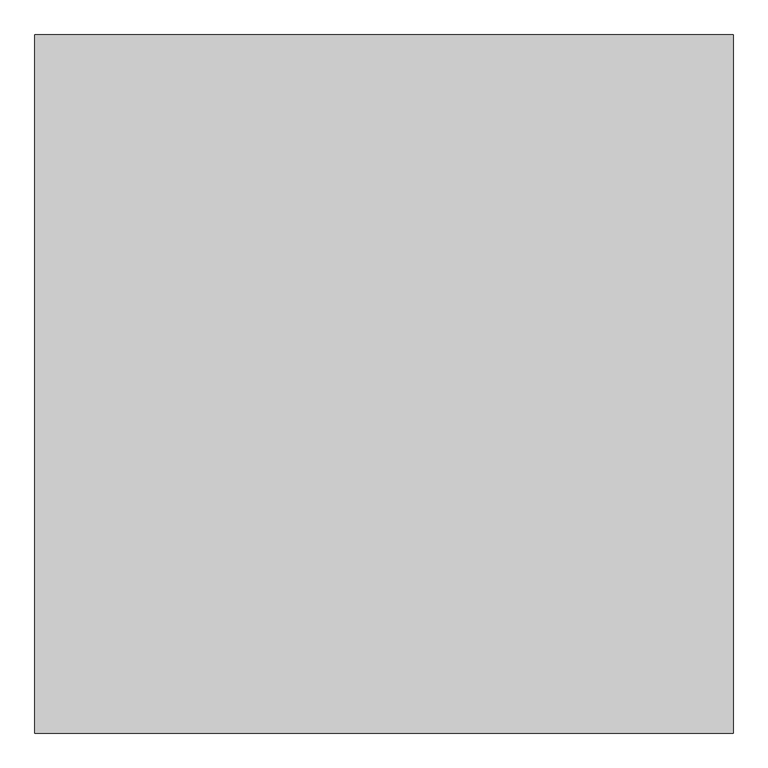
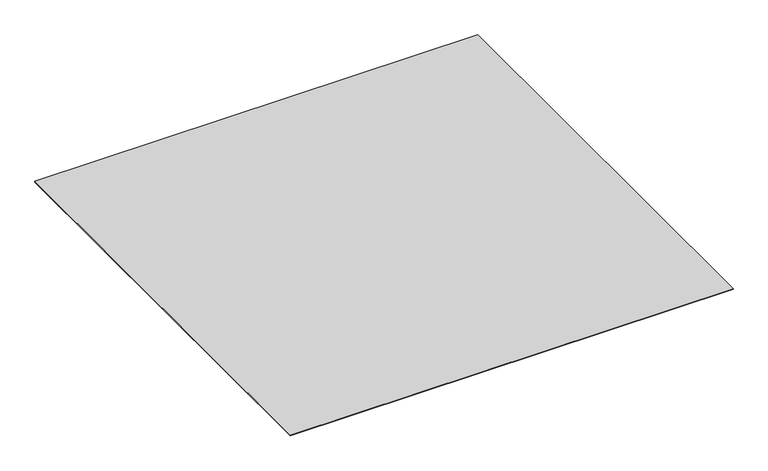
"""IFC4 building model written with IfcOpenShell, lengths in millimetres: proxy geometry."""

import ifcopenshell
import ifcopenshell.guid

model = None  # the IFC model being written
_history = None  # IfcOwnerHistory: only IFC2X3 demands one
_inside = {}  # id of a spatial element -> (the spatial element, [elements in it])
_under = {}  # id of a project, library or spatial element -> (it, [spatial elements below it])
_declared = {}  # id of a project -> (the project, [libraries it declares])
_typed = {}  # id of a type object -> (the type object, [elements of that type])
_made_of = {}  # id of a material, layer set ... -> (it, [elements and type objects made of it])


def new_model(schema):
    """Start an empty IFC model of exactly this schema.

    Asked for "IFC4X3", IfcOpenShell would pick the latest addendum, in which some entities
    have other attributes; the version numbers below select the first issue.
    IFC2X3 requires an IfcOwnerHistory on every rooted entity: one is made here for all.
    """
    global model, _history
    if schema == "IFC4X3":
        model = ifcopenshell.file(schema_version=(4, 3, 0, 0))
    else:
        model = ifcopenshell.file(schema=schema)
    _inside.clear()
    _under.clear()
    _declared.clear()
    _typed.clear()
    _made_of.clear()
    _history = None
    if model.schema == "IFC2X3":
        org = make("IfcOrganization", Name="unknown")
        user = make(
            "IfcPersonAndOrganization",
            ThePerson=make("IfcPerson", FamilyName="unknown"),
            TheOrganization=org,
        )
        app = make(
            "IfcApplication",
            ApplicationDeveloper=org,
            Version="unknown",
            ApplicationFullName="unknown",
            ApplicationIdentifier="unknown",
        )
        _history = make(
            "IfcOwnerHistory",
            OwningUser=user,
            OwningApplication=app,
            ChangeAction="ADDED",
            CreationDate=0,
        )
    return model


def make(cls, **values):
    """One entity of the class cls with the attributes given. An attribute that is None is left unset."""
    return model.create_entity(
        cls, **{name: value for name, value in values.items() if value is not None}
    )


def rooted(cls, **values):
    """An entity with a GlobalId (a new one), such as an element, a storey or a relation."""
    return make(cls, GlobalId=ifcopenshell.guid.new(), OwnerHistory=_history, **values)


def si_unit(unit_type, name, prefix=None):
    """IfcSIUnit, for example si_unit("LENGTHUNIT", "METRE", prefix="MILLI")."""
    return make("IfcSIUnit", UnitType=unit_type, Prefix=prefix, Name=name)


def assignment(units):
    """IfcUnitAssignment: the units of a project."""
    return None if units is None else make("IfcUnitAssignment", Units=units)


def point(xyz):
    """IfcCartesianPoint."""
    return None if xyz is None else make("IfcCartesianPoint", Coordinates=xyz)


def direction(xyz):
    """IfcDirection."""
    return None if xyz is None else make("IfcDirection", DirectionRatios=xyz)


def frame(location, z_axis=None, x_axis=None):
    """IfcAxis2Placement3D, a coordinate frame: its origin and axes. An axis left out is left unset."""
    return make(
        "IfcAxis2Placement3D",
        Location=point(location),
        Axis=direction(z_axis),
        RefDirection=direction(x_axis),
    )


def origin():
    """The frame at (0, 0, 0) with its axes left unset."""
    return frame((0.0, 0.0, 0.0))


def origin_with_axes():
    """The frame at (0, 0, 0) with the z axis (0, 0, 1) and the x axis (1, 0, 0) written out."""
    return frame((0.0, 0.0, 0.0), z_axis=(0.0, 0.0, 1.0), x_axis=(1.0, 0.0, 0.0))


def place(relative_to, where):
    """IfcLocalPlacement: puts the frame where relative to a parent placement (None: the world)."""
    return make(
        "IfcLocalPlacement", PlacementRelTo=relative_to, RelativePlacement=where
    )


def context(
    kind, dimensions, precision=None, world=None, true_north=None, identifier=None
):
    """IfcGeometricRepresentationContext, for example the 3D "Model" context."""
    return make(
        "IfcGeometricRepresentationContext",
        ContextIdentifier=identifier,
        ContextType=kind,
        CoordinateSpaceDimension=dimensions,
        Precision=precision,
        WorldCoordinateSystem=world,
        TrueNorth=true_north,
    )


def project(units=None, contexts=None):
    """IfcProject with its units and contexts."""
    return rooted(
        "IfcProject",
        Name="project",
        RepresentationContexts=contexts,
        UnitsInContext=assignment(units),
    )


def spatial(cls, under=None, at=None, **own):
    """A site, building, storey or space (cls), placed at a placement, below another one or the project."""
    s = rooted(cls, ObjectPlacement=at, **own)
    if under is not None:
        _under.setdefault(under.id(), (under, []))[1].append(s)
    return s


def polyline(points):
    """IfcPolyline through the points."""
    return make("IfcPolyline", Points=[point(p) for p in points])


def outline(outer, holes=None, kind="AREA"):
    """IfcArbitraryClosedProfileDef: a profile drawn as a closed curve; with holes, ...WithVoids."""
    if holes is None:
        return make("IfcArbitraryClosedProfileDef", ProfileType=kind, OuterCurve=outer)
    return make(
        "IfcArbitraryProfileDefWithVoids",
        ProfileType=kind,
        OuterCurve=outer,
        InnerCurves=holes,
    )


def extrude(swept, where, along, depth):
    """IfcExtrudedAreaSolid: the profile swept, set in the frame where, extruded along a direction by depth."""
    return make(
        "IfcExtrudedAreaSolid",
        SweptArea=swept,
        Position=where,
        ExtrudedDirection=direction(along),
        Depth=depth,
    )


def shape(context_of_items, identifier, shape_type, items):
    """IfcShapeRepresentation: the items that make up one representation, for example the "Body"."""
    return make(
        "IfcShapeRepresentation",
        ContextOfItems=context_of_items,
        RepresentationIdentifier=identifier,
        RepresentationType=shape_type,
        Items=items,
    )


def source(mapping_origin, context_of_items, identifier, shape_type, items):
    """IfcRepresentationMap: a shape defined once, which mapped items show again and again."""
    return make(
        "IfcRepresentationMap",
        MappingOrigin=mapping_origin,
        MappedRepresentation=shape(context_of_items, identifier, shape_type, items),
    )


def transform(
    local_origin,
    x_axis=None,
    y_axis=None,
    z_axis=None,
    scale=None,
    scale2=None,
    scale3=None,
    uniform=True,
):
    """IfcCartesianTransformationOperator3D, or its non-uniform kind. x_axis, y_axis, z_axis: its Axis1, 2, 3."""
    if uniform:
        return make(
            "IfcCartesianTransformationOperator3D",
            Axis1=direction(x_axis),
            Axis2=direction(y_axis),
            LocalOrigin=point(local_origin),
            Scale=scale,
            Axis3=direction(z_axis),
        )
    return make(
        "IfcCartesianTransformationOperator3DnonUniform",
        Axis1=direction(x_axis),
        Axis2=direction(y_axis),
        LocalOrigin=point(local_origin),
        Scale=scale,
        Axis3=direction(z_axis),
        Scale2=scale2,
        Scale3=scale3,
    )


def mapped(mapping_source, mapping_target):
    """IfcMappedItem: shows the shape of a source again, moved by a transform."""
    return make(
        "IfcMappedItem", MappingSource=mapping_source, MappingTarget=mapping_target
    )


def made_of(thing, what):
    """Note that an element or type object is made of a material, layer set ...; save() writes the relation."""
    if what is not None:
        _made_of.setdefault(what.id(), (what, []))[1].append(thing)
    return thing


def element(
    cls,
    number,
    at=None,
    inside=None,
    cuts=None,
    type_object=None,
    material=None,
    context=None,
    identifier="Body",
    shape_type=None,
    held_by="IfcProductDefinitionShape",
    body=None,
    shapes=None,
    **own,
):
    """One element of the class cls, such as IfcWall. Its Tag is "e" and its number.

    at: its placement. inside: the storey or other place that contains it. cuts: it is an
    opening in that element (IfcRelVoidsElement). A single representation is given by context,
    identifier, shape_type and body (its items); several are given by shapes. held_by: the class
    of the entity that holds the representations. save() writes the other relations.
    """
    e = rooted(cls, Tag="e%d" % number, ObjectPlacement=at, **own)
    if body is not None:
        shapes = [shape(context, identifier, shape_type, body)]
    if shapes is not None:
        e.Representation = make(held_by, Representations=shapes)
    if inside is not None:
        _inside.setdefault(inside.id(), (inside, []))[1].append(e)
    if cuts is not None:
        rooted(
            "IfcRelVoidsElement", RelatingBuildingElement=cuts, RelatedOpeningElement=e
        )
    if type_object is not None:
        _typed.setdefault(type_object.id(), (type_object, []))[1].append(e)
    return made_of(e, material)


def aggregate(whole, parts):
    """IfcRelAggregates: a whole, such as a stair, and the parts it consists of."""
    return rooted("IfcRelAggregates", RelatingObject=whole, RelatedObjects=parts)


def save(model, path):
    """Write the relations noted so far, then the file.

    IfcRelAggregates (storeys below a building ...), IfcRelContainedInSpatialStructure (elements
    in a storey), IfcRelDefinesByType, IfcRelAssociatesMaterial and IfcRelDeclares: one each for
    every whole, place, type object, material and project.
    """
    for whole, parts in _under.values():
        aggregate(whole, parts)
    for where, things in _inside.values():
        rooted(
            "IfcRelContainedInSpatialStructure",
            RelatedElements=things,
            RelatingStructure=where,
        )
    for kind, things in _typed.values():
        rooted("IfcRelDefinesByType", RelatedObjects=things, RelatingType=kind)
    for what, things in _made_of.values():
        rooted("IfcRelAssociatesMaterial", RelatedObjects=things, RelatingMaterial=what)
    for by, libraries in _declared.values():
        rooted("IfcRelDeclares", RelatingContext=by, RelatedDefinitions=libraries)
    model.write(path)


def generic_models_a67d1204(model_context):
    return source(origin(), model_context, "Body", "SweptSolid", [
        extrude(outline(polyline([(-16196.9237868, -41687.355679), (-16196.9237868, -42687.355679), (-17196.9237868, -42687.355679), (-17196.9237868, -41687.355679), (-16196.9237868, -41687.355679)])), origin_with_axes(), (0.0, 0.0, 1.0), 1.5),
    ])


if __name__ == "__main__":
    model = new_model("IFC4")
    model_context = context("Model", 3, world=origin())
    ifc_project = project(units=[si_unit("LENGTHUNIT", "METRE", prefix="MILLI")], contexts=[model_context])
    site = spatial("IfcSite", under=ifc_project)
    building = spatial("IfcBuilding", under=site)
    placement = place(None, origin())
    generic_models_shape = generic_models_a67d1204(model_context)
    element("IfcBuildingElementProxy", 1, Name="Generic Models", at=placement, inside=building, context=model_context, shape_type="MappedRepresentation", body=[
        mapped(generic_models_shape, transform((0.0, 0.0, 0.0), x_axis=(1.0, 0.0, 0.0), y_axis=(0.0, 1.0, 0.0), z_axis=(0.0, 0.0, 1.0))),
    ])
    save(model, "model.ifc")
